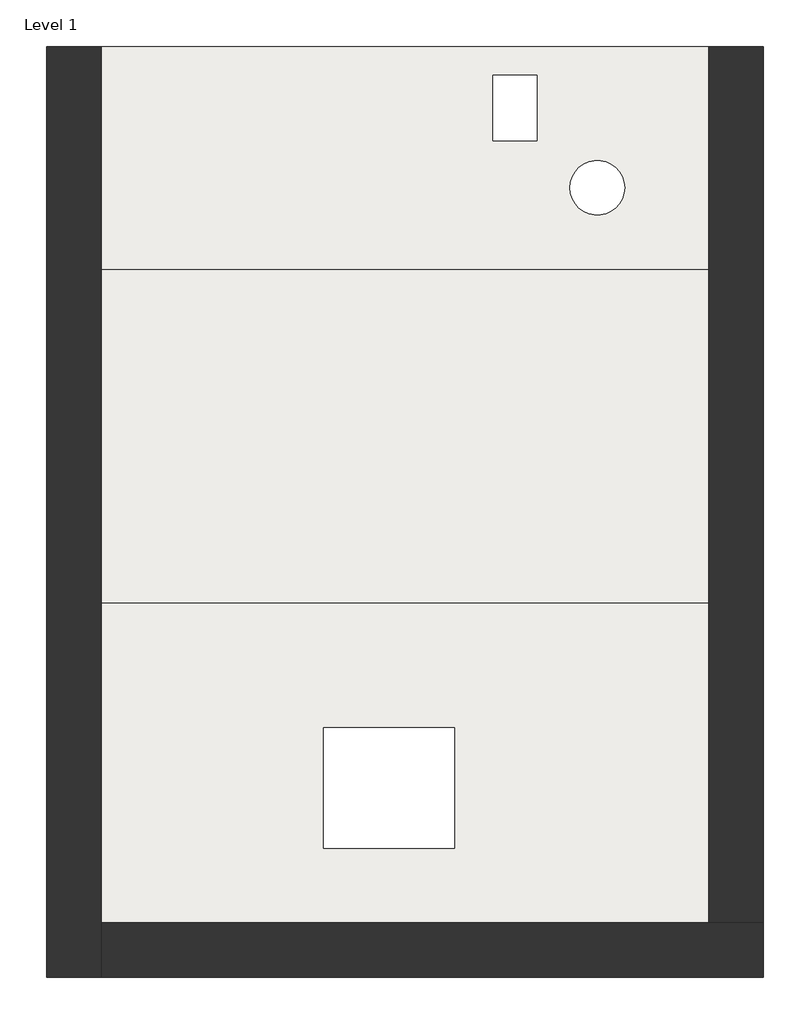
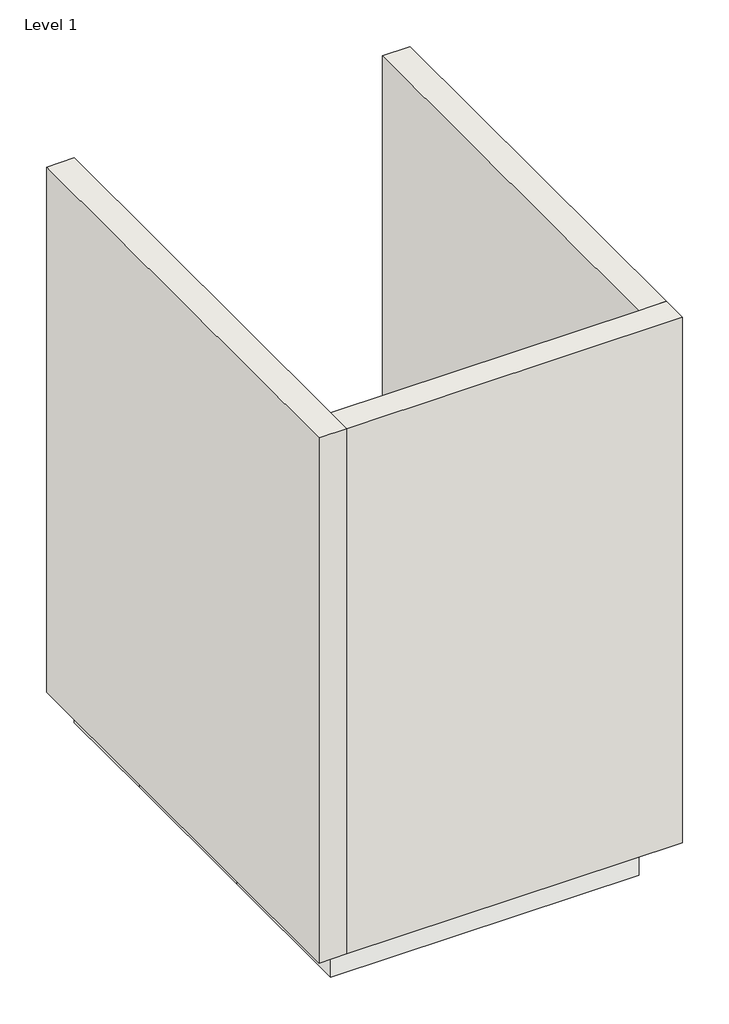
# One storey: 3 slabs, 3 walls.
"""IFC4 building model written with IfcOpenShell, lengths in millimetres."""

from ifc_helpers import new_model, si_unit, point, frame, frame_2d, origin, origin_with_axes, place, context, project, spatial, polyline, circle_curve, trimmed, segment, composite_curve, outline, extrude, faceted_brep, element, save

model = new_model("IFC4")

# Units and contexts
model_context = context("Model", 3, world=origin())
ifc_project = project(units=[si_unit("LENGTHUNIT", "METRE", prefix="MILLI")], contexts=[model_context])

# Site, building, storey
site = spatial("IfcSite", under=ifc_project)
building = spatial("IfcBuilding", under=site)
storey = spatial("IfcBuildingStorey", under=building, Name="Level 1", Elevation=0.0)

# Slabs
placement = place(None, origin())
element("IfcSlab", 1, ObjectType="Floor 1", at=placement, inside=storey, context=model_context, shape_type="SweptSolid", body=[
    extrude(outline(polyline([(3484.7418478, 3501.3586957), (3484.7418478, 2686.8206522), (1264.7418478, 2686.8206522), (1264.7418478, 3501.3586957), (3484.7418478, 3501.3586957)]), holes=[polyline([(2856.6711957, 3396.7391304), (2696.6711957, 3396.7391304), (2696.6711957, 3156.7391304), (2856.6711957, 3156.7391304), (2856.6711957, 3396.7391304)]), composite_curve([segment(trimmed(circle_curve(frame_2d((3077.7853261, 2985.7336957)), 100.0), [point((2977.7853261, 2985.7336957))], [point((3177.7853261, 2985.7336957))], True, "CARTESIAN"), True, "CONTINUOUS"), segment(trimmed(circle_curve(frame_2d((3077.7853261, 2985.7336957)), 100.0), [point((3177.7853261, 2985.7336957))], [point((2977.7853261, 2985.7336957))], True, "CARTESIAN"), True, "CONTINUOUS")], self_intersect=False)]), frame((0.0, 0.0, -300.0), z_axis=(0.0, 0.0, 1.0), x_axis=(1.0, 0.0, 0.0)), (0.0, 0.0, 1.0), 300.0),
])
element("IfcSlab", 2, ObjectType="Floor 1", at=placement, inside=storey, context=model_context, shape_type="SweptSolid", body=[
    extrude(outline(polyline([(3484.7418478, 2686.8206522), (3484.7418478, 1468.75), (1264.7418478, 1468.75), (1264.7418478, 2686.8206522), (3484.7418478, 2686.8206522)])), frame((0.0, 0.0, -300.0), z_axis=(0.0, 0.0, 1.0), x_axis=(1.0, 0.0, 0.0)), (0.0, 0.0, 1.0), 300.0),
])
element("IfcSlab", 3, ObjectType="Floor 1", at=placement, inside=storey, context=model_context, shape_type="SweptSolid", body=[
    extrude(outline(polyline([(3484.7418478, 1468.75), (3484.7418478, 301.3586957), (1264.7418478, 301.3586957), (1264.7418478, 1468.75), (3484.7418478, 1468.75)]), holes=[polyline([(2556.4266304, 1012.9076087), (2076.4266304, 1012.9076087), (2076.4266304, 572.9076087), (2556.4266304, 572.9076087), (2556.4266304, 1012.9076087)])]), frame((0.0, 0.0, -300.0), z_axis=(0.0, 0.0, 1.0), x_axis=(1.0, 0.0, 0.0)), (0.0, 0.0, 1.0), 300.0),
])

# Walls
element("IfcWall", 4, ObjectType="Wall 1", at=placement, inside=storey, context=model_context, shape_type="Brep", body=[
    faceted_brep([(1064.7418478, 3501.3586957, 0.0), (1064.7418478, 101.3586957, 0.0), (1064.7418478, 101.3586957, 4000.0), (1064.7418478, 3501.3586957, 4000.0), (1264.7418478, 3501.3586957, 0.0), (1264.7418478, 3501.3586957, 4000.0), (1264.7418478, 301.3586957, 4000.0), (1264.7418478, 101.3586957, 4000.0), (1264.7418478, 101.3586957, 0.0), (1264.7418478, 301.3586957, 0.0)], [[[0, 1, 2, 3]], [[4, 5, 6, 7, 8, 9]], [[1, 0, 4, 9, 8]], [[3, 2, 7, 6, 5]], [[0, 3, 5, 4]], [[2, 1, 8, 7]]]),
])
element("IfcWall", 5, ObjectType="Wall 1", at=placement, inside=storey, context=model_context, shape_type="Brep", body=[
    faceted_brep([(1264.7418478, 101.3586957, 0.0), (3684.7418478, 101.3586957, 0.0), (3684.7418478, 101.3586957, 4000.0), (1264.7418478, 101.3586957, 4000.0), (1264.7418478, 301.3586957, 0.0), (1264.7418478, 301.3586957, 4000.0), (3484.7418478, 301.3586957, 4000.0), (3684.7418478, 301.3586957, 4000.0), (3684.7418478, 301.3586957, 0.0), (3484.7418478, 301.3586957, 0.0)], [[[0, 1, 2, 3]], [[4, 5, 6, 7, 8, 9]], [[1, 0, 4, 9, 8]], [[3, 2, 7, 6, 5]], [[0, 3, 5, 4]], [[2, 1, 8, 7]]]),
])
element("IfcWall", 6, ObjectType="Wall 1", at=placement, inside=storey, context=model_context, shape_type="SweptSolid", body=[
    extrude(outline(polyline([(3684.7418478, 3501.3586957), (3684.7418478, 301.3586957), (3484.7418478, 301.3586957), (3484.7418478, 3501.3586957), (3684.7418478, 3501.3586957)])), origin_with_axes(), (0.0, 0.0, 1.0), 4000.0),
])

save(model, "model.ifc")
